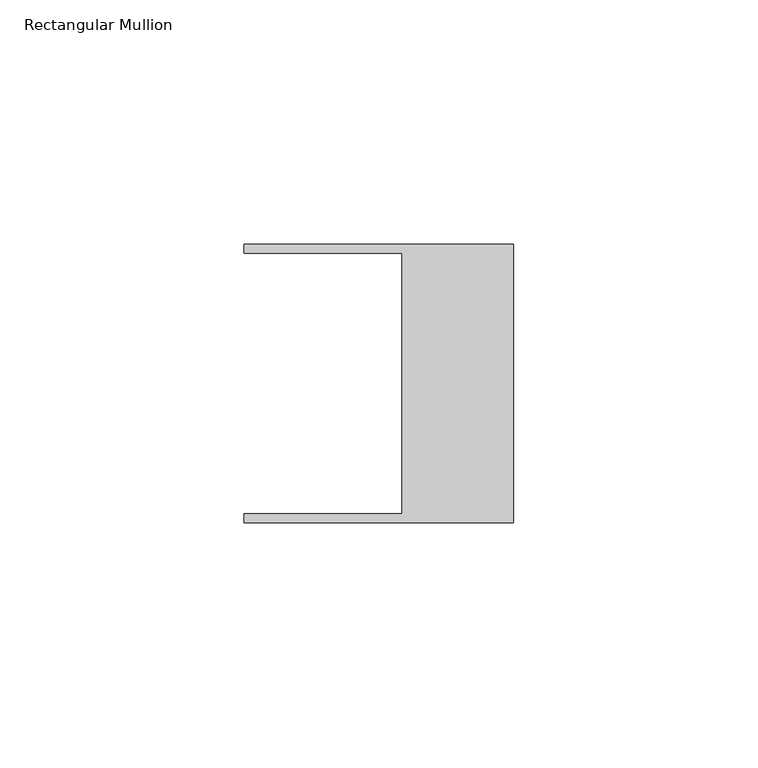
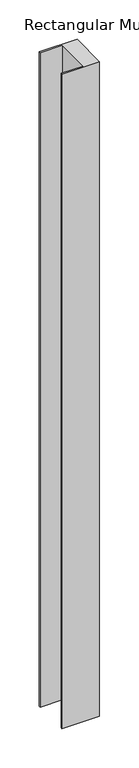
"""IFC4 building model written with IfcOpenShell, lengths in millimetres: member geometry, Rectangular Mullion."""

import ifcopenshell
import ifcopenshell.guid

model = None  # the IFC model being written
_history = None  # IfcOwnerHistory: only IFC2X3 demands one
_inside = {}  # id of a spatial element -> (the spatial element, [elements in it])
_under = {}  # id of a project, library or spatial element -> (it, [spatial elements below it])
_declared = {}  # id of a project -> (the project, [libraries it declares])
_typed = {}  # id of a type object -> (the type object, [elements of that type])
_made_of = {}  # id of a material, layer set ... -> (it, [elements and type objects made of it])


def new_model(schema):
    """Start an empty IFC model of exactly this schema.

    Asked for "IFC4X3", IfcOpenShell would pick the latest addendum, in which some entities
    have other attributes; the version numbers below select the first issue.
    IFC2X3 requires an IfcOwnerHistory on every rooted entity: one is made here for all.
    """
    global model, _history
    if schema == "IFC4X3":
        model = ifcopenshell.file(schema_version=(4, 3, 0, 0))
    else:
        model = ifcopenshell.file(schema=schema)
    _inside.clear()
    _under.clear()
    _declared.clear()
    _typed.clear()
    _made_of.clear()
    _history = None
    if model.schema == "IFC2X3":
        org = make("IfcOrganization", Name="unknown")
        user = make(
            "IfcPersonAndOrganization",
            ThePerson=make("IfcPerson", FamilyName="unknown"),
            TheOrganization=org,
        )
        app = make(
            "IfcApplication",
            ApplicationDeveloper=org,
            Version="unknown",
            ApplicationFullName="unknown",
            ApplicationIdentifier="unknown",
        )
        _history = make(
            "IfcOwnerHistory",
            OwningUser=user,
            OwningApplication=app,
            ChangeAction="ADDED",
            CreationDate=0,
        )
    return model


def make(cls, **values):
    """One entity of the class cls with the attributes given. An attribute that is None is left unset."""
    return model.create_entity(
        cls, **{name: value for name, value in values.items() if value is not None}
    )


def rooted(cls, **values):
    """An entity with a GlobalId (a new one), such as an element, a storey or a relation."""
    return make(cls, GlobalId=ifcopenshell.guid.new(), OwnerHistory=_history, **values)


def si_unit(unit_type, name, prefix=None):
    """IfcSIUnit, for example si_unit("LENGTHUNIT", "METRE", prefix="MILLI")."""
    return make("IfcSIUnit", UnitType=unit_type, Prefix=prefix, Name=name)


def assignment(units):
    """IfcUnitAssignment: the units of a project."""
    return None if units is None else make("IfcUnitAssignment", Units=units)


def point(xyz):
    """IfcCartesianPoint."""
    return None if xyz is None else make("IfcCartesianPoint", Coordinates=xyz)


def direction(xyz):
    """IfcDirection."""
    return None if xyz is None else make("IfcDirection", DirectionRatios=xyz)


def frame(location, z_axis=None, x_axis=None):
    """IfcAxis2Placement3D, a coordinate frame: its origin and axes. An axis left out is left unset."""
    return make(
        "IfcAxis2Placement3D",
        Location=point(location),
        Axis=direction(z_axis),
        RefDirection=direction(x_axis),
    )


def origin():
    """The frame at (0, 0, 0) with its axes left unset."""
    return frame((0.0, 0.0, 0.0))


def place(relative_to, where):
    """IfcLocalPlacement: puts the frame where relative to a parent placement (None: the world)."""
    return make(
        "IfcLocalPlacement", PlacementRelTo=relative_to, RelativePlacement=where
    )


def context(
    kind, dimensions, precision=None, world=None, true_north=None, identifier=None
):
    """IfcGeometricRepresentationContext, for example the 3D "Model" context."""
    return make(
        "IfcGeometricRepresentationContext",
        ContextIdentifier=identifier,
        ContextType=kind,
        CoordinateSpaceDimension=dimensions,
        Precision=precision,
        WorldCoordinateSystem=world,
        TrueNorth=true_north,
    )


def project(units=None, contexts=None):
    """IfcProject with its units and contexts."""
    return rooted(
        "IfcProject",
        Name="project",
        RepresentationContexts=contexts,
        UnitsInContext=assignment(units),
    )


def spatial(cls, under=None, at=None, **own):
    """A site, building, storey or space (cls), placed at a placement, below another one or the project."""
    s = rooted(cls, ObjectPlacement=at, **own)
    if under is not None:
        _under.setdefault(under.id(), (under, []))[1].append(s)
    return s


def polyline(points):
    """IfcPolyline through the points."""
    return make("IfcPolyline", Points=[point(p) for p in points])


def outline(outer, holes=None, kind="AREA"):
    """IfcArbitraryClosedProfileDef: a profile drawn as a closed curve; with holes, ...WithVoids."""
    if holes is None:
        return make("IfcArbitraryClosedProfileDef", ProfileType=kind, OuterCurve=outer)
    return make(
        "IfcArbitraryProfileDefWithVoids",
        ProfileType=kind,
        OuterCurve=outer,
        InnerCurves=holes,
    )


def extrude(swept, where, along, depth):
    """IfcExtrudedAreaSolid: the profile swept, set in the frame where, extruded along a direction by depth."""
    return make(
        "IfcExtrudedAreaSolid",
        SweptArea=swept,
        Position=where,
        ExtrudedDirection=direction(along),
        Depth=depth,
    )


def shape(context_of_items, identifier, shape_type, items):
    """IfcShapeRepresentation: the items that make up one representation, for example the "Body"."""
    return make(
        "IfcShapeRepresentation",
        ContextOfItems=context_of_items,
        RepresentationIdentifier=identifier,
        RepresentationType=shape_type,
        Items=items,
    )


def source(mapping_origin, context_of_items, identifier, shape_type, items):
    """IfcRepresentationMap: a shape defined once, which mapped items show again and again."""
    return make(
        "IfcRepresentationMap",
        MappingOrigin=mapping_origin,
        MappedRepresentation=shape(context_of_items, identifier, shape_type, items),
    )


def transform(
    local_origin,
    x_axis=None,
    y_axis=None,
    z_axis=None,
    scale=None,
    scale2=None,
    scale3=None,
    uniform=True,
):
    """IfcCartesianTransformationOperator3D, or its non-uniform kind. x_axis, y_axis, z_axis: its Axis1, 2, 3."""
    if uniform:
        return make(
            "IfcCartesianTransformationOperator3D",
            Axis1=direction(x_axis),
            Axis2=direction(y_axis),
            LocalOrigin=point(local_origin),
            Scale=scale,
            Axis3=direction(z_axis),
        )
    return make(
        "IfcCartesianTransformationOperator3DnonUniform",
        Axis1=direction(x_axis),
        Axis2=direction(y_axis),
        LocalOrigin=point(local_origin),
        Scale=scale,
        Axis3=direction(z_axis),
        Scale2=scale2,
        Scale3=scale3,
    )


def mapped(mapping_source, mapping_target):
    """IfcMappedItem: shows the shape of a source again, moved by a transform."""
    return make(
        "IfcMappedItem", MappingSource=mapping_source, MappingTarget=mapping_target
    )


def made_of(thing, what):
    """Note that an element or type object is made of a material, layer set ...; save() writes the relation."""
    if what is not None:
        _made_of.setdefault(what.id(), (what, []))[1].append(thing)
    return thing


def element(
    cls,
    number,
    at=None,
    inside=None,
    cuts=None,
    type_object=None,
    material=None,
    context=None,
    identifier="Body",
    shape_type=None,
    held_by="IfcProductDefinitionShape",
    body=None,
    shapes=None,
    **own,
):
    """One element of the class cls, such as IfcWall. Its Tag is "e" and its number.

    at: its placement. inside: the storey or other place that contains it. cuts: it is an
    opening in that element (IfcRelVoidsElement). A single representation is given by context,
    identifier, shape_type and body (its items); several are given by shapes. held_by: the class
    of the entity that holds the representations. save() writes the other relations.
    """
    e = rooted(cls, Tag="e%d" % number, ObjectPlacement=at, **own)
    if body is not None:
        shapes = [shape(context, identifier, shape_type, body)]
    if shapes is not None:
        e.Representation = make(held_by, Representations=shapes)
    if inside is not None:
        _inside.setdefault(inside.id(), (inside, []))[1].append(e)
    if cuts is not None:
        rooted(
            "IfcRelVoidsElement", RelatingBuildingElement=cuts, RelatedOpeningElement=e
        )
    if type_object is not None:
        _typed.setdefault(type_object.id(), (type_object, []))[1].append(e)
    return made_of(e, material)


def aggregate(whole, parts):
    """IfcRelAggregates: a whole, such as a stair, and the parts it consists of."""
    return rooted("IfcRelAggregates", RelatingObject=whole, RelatedObjects=parts)


def save(model, path):
    """Write the relations noted so far, then the file.

    IfcRelAggregates (storeys below a building ...), IfcRelContainedInSpatialStructure (elements
    in a storey), IfcRelDefinesByType, IfcRelAssociatesMaterial and IfcRelDeclares: one each for
    every whole, place, type object, material and project.
    """
    for whole, parts in _under.values():
        aggregate(whole, parts)
    for where, things in _inside.values():
        rooted(
            "IfcRelContainedInSpatialStructure",
            RelatedElements=things,
            RelatingStructure=where,
        )
    for kind, things in _typed.values():
        rooted("IfcRelDefinesByType", RelatedObjects=things, RelatingType=kind)
    for what, things in _made_of.values():
        rooted("IfcRelAssociatesMaterial", RelatedObjects=things, RelatingMaterial=what)
    for by, libraries in _declared.values():
        rooted("IfcRelDeclares", RelatingContext=by, RelatedDefinitions=libraries)
    model.write(path)


def rectangular_mullion_e23e547b(model_context):
    return source(origin(), model_context, "Body", "SweptSolid", [
        extrude(outline(polyline([(-55.118, 26.67), (-55.118, 28.448), (0.0, 28.448), (0.0, -28.448), (-55.118, -28.448), (-55.118, -26.67), (-22.86, -26.67), (-22.86, 26.67), (-55.118, 26.67)])), frame((0.0, 0.0, -1013.6575648), z_axis=(0.0, 0.0, 1.0), x_axis=(1.0, 0.0, 0.0)), (0.0, 0.0, 1.0), 1013.6575648),
    ])


if __name__ == "__main__":
    model = new_model("IFC4")
    model_context = context("Model", 3, world=origin())
    ifc_project = project(units=[si_unit("LENGTHUNIT", "METRE", prefix="MILLI")], contexts=[model_context])
    site = spatial("IfcSite", under=ifc_project)
    building = spatial("IfcBuilding", under=site)
    placement = place(None, origin())
    rectangular_mullion_shape = rectangular_mullion_e23e547b(model_context)
    element("IfcMember", 1, ObjectType="Rectangular Mullion", at=placement, inside=building, context=model_context, shape_type="MappedRepresentation", body=[
        mapped(rectangular_mullion_shape, transform((0.0, 0.0, 0.0), x_axis=(1.0, 0.0, 0.0), y_axis=(0.0, 1.0, 0.0), z_axis=(0.0, 0.0, 1.0))),
    ])
    save(model, "model.ifc")
